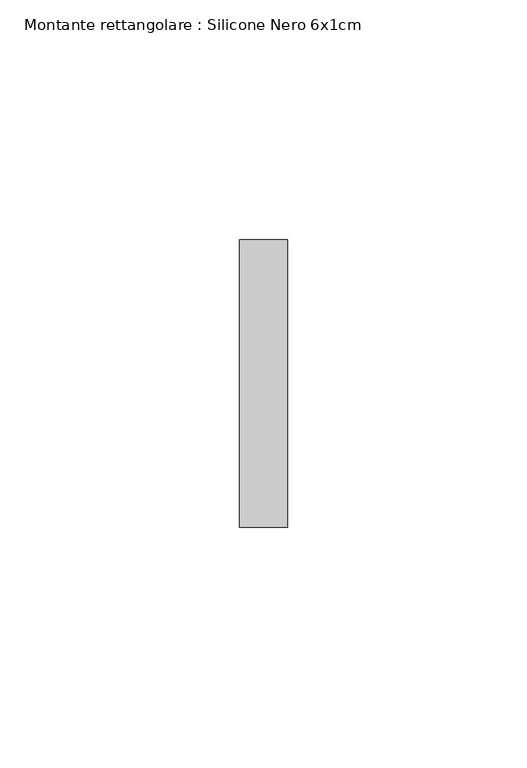
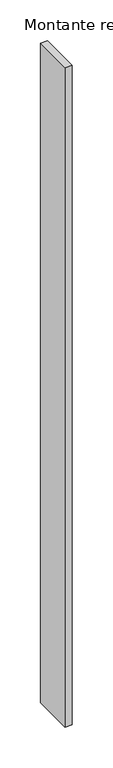
"""IFC4 building model written with IfcOpenShell, lengths in millimetres: member geometry, Montante rettangolare : Silicone Nero 6x1cm."""

from ifc_helpers import new_model, si_unit, frame, origin, place, context, project, spatial, polyline, outline, extrude, source, transform, mapped, element, save


def montante_rettangolare_silicone_nero_6x1cm_f2cb5fc2(model_context):
    return source(origin(), model_context, "Body", "SweptSolid", [
        extrude(outline(polyline([(5.0, 60.0), (5.0, 0.0), (-5.0, 0.0), (-5.0, 60.0), (5.0, 60.0)])), frame((0.0, 0.0, -985.0), z_axis=(0.0, 0.0, 1.0), x_axis=(1.0, 0.0, 0.0)), (0.0, 0.0, 1.0), 985.0),
    ])


if __name__ == "__main__":
    model = new_model("IFC4")
    model_context = context("Model", 3, world=origin())
    ifc_project = project(units=[si_unit("LENGTHUNIT", "METRE", prefix="MILLI")], contexts=[model_context])
    site = spatial("IfcSite", under=ifc_project)
    building = spatial("IfcBuilding", under=site)
    placement = place(None, origin())
    montante_rettangolare_silicone_nero_6x1cm_shape = montante_rettangolare_silicone_nero_6x1cm_f2cb5fc2(model_context)
    element("IfcMember", 1, ObjectType="Montante rettangolare : Silicone Nero 6x1cm", at=placement, inside=building, context=model_context, shape_type="MappedRepresentation", body=[
        mapped(montante_rettangolare_silicone_nero_6x1cm_shape, transform((0.0, 0.0, 0.0), x_axis=(1.0, 0.0, 0.0), y_axis=(0.0, 1.0, 0.0), z_axis=(0.0, 0.0, 1.0))),
    ])
    save(model, "model.ifc")
